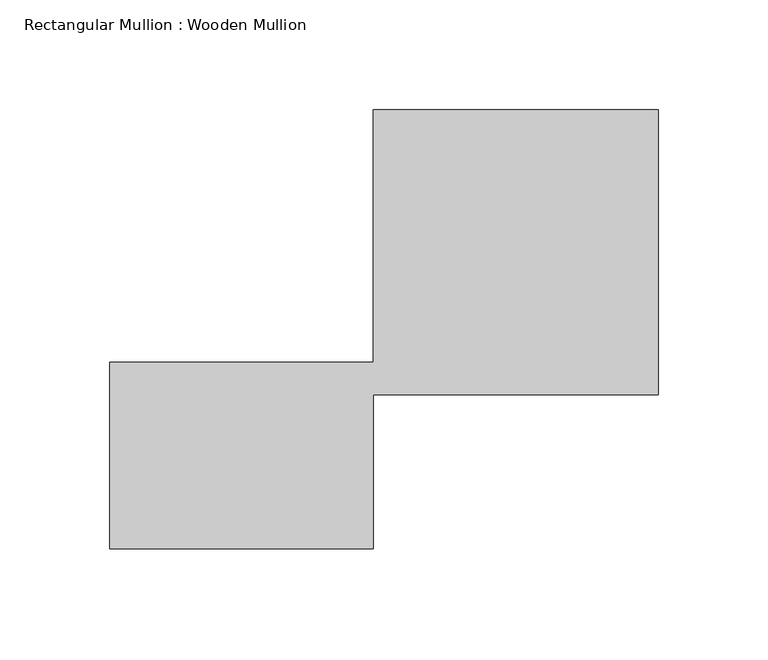
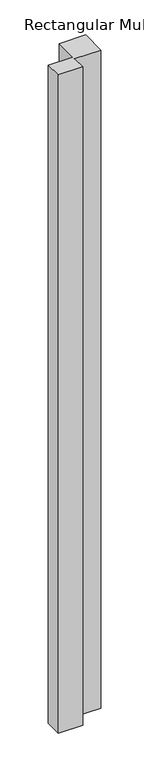
"""IFC4 building model written with IfcOpenShell, lengths in millimetres: member geometry, Rectangular Mullion : Wooden Mullion."""

from ifc_helpers import new_model, si_unit, frame, origin, place, context, project, spatial, polyline, outline, extrude, source, transform, mapped, element, save


def rectangular_mullion_wooden_mullion_fc7b7ddf(model_context):
    return source(origin(), model_context, "Body", "SweptSolid", [
        extrude(outline(polyline([(74.8100006, -26.0137344), (-45.1899994, -26.0137344), (-45.1899994, 58.9862656), (74.8100006, 58.9862656), (74.8100006, 173.9862656), (204.8100006, 173.9862656), (204.8100006, 43.9862656), (74.8100006, 43.9862656), (74.8100006, -26.0137344)])), frame((0.0, 0.0, -3431.1074318), z_axis=(0.0, 0.0, 1.0), x_axis=(1.0, 0.0, 0.0)), (0.0, 0.0, 1.0), 3431.1074318),
    ])


if __name__ == "__main__":
    model = new_model("IFC4")
    model_context = context("Model", 3, world=origin())
    ifc_project = project(units=[si_unit("LENGTHUNIT", "METRE", prefix="MILLI")], contexts=[model_context])
    site = spatial("IfcSite", under=ifc_project)
    building = spatial("IfcBuilding", under=site)
    placement = place(None, origin())
    rectangular_mullion_wooden_mullion_shape = rectangular_mullion_wooden_mullion_fc7b7ddf(model_context)
    element("IfcMember", 1, ObjectType="Rectangular Mullion : Wooden Mullion", at=placement, inside=building, context=model_context, shape_type="MappedRepresentation", body=[
        mapped(rectangular_mullion_wooden_mullion_shape, transform((0.0, 0.0, 0.0), x_axis=(1.0, 0.0, 0.0), y_axis=(0.0, 1.0, 0.0), z_axis=(0.0, 0.0, 1.0))),
    ])
    save(model, "model.ifc")
